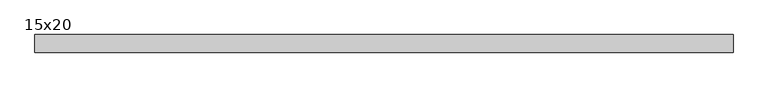
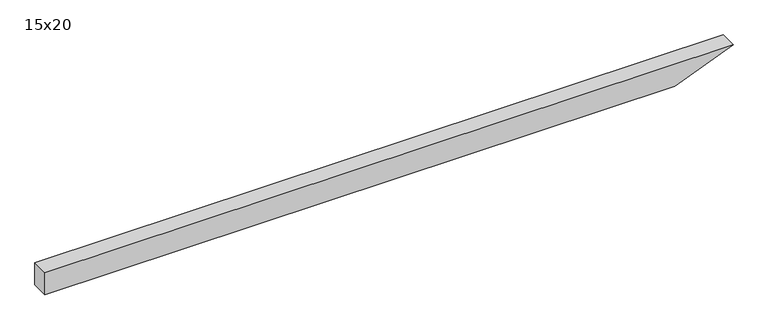
"""IFC4 building model written with IfcOpenShell, lengths in millimetres: beam geometry, 15x20."""

from ifc_helpers import new_model, si_unit, frame, origin, place, context, project, spatial, polyline, outline, extrude, source, transform, mapped, element, save


def beam_15x20_6f9517e7(model_context):
    return source(origin(), model_context, "Body", "SweptSolid", [
        extrude(outline(polyline([(100.0, -2992.5), (-100.0, -2992.5), (-100.0, 2440.3), (100.0, 2942.5), (100.0, -2992.5)])), frame((0.0, -75.0, 0.0), z_axis=(0.0, 1.0, 0.0), x_axis=(0.0, 0.0, 1.0)), (0.0, 0.0, 1.0), 150.0),
    ])


if __name__ == "__main__":
    model = new_model("IFC4")
    model_context = context("Model", 3, world=origin())
    ifc_project = project(units=[si_unit("LENGTHUNIT", "METRE", prefix="MILLI")], contexts=[model_context])
    site = spatial("IfcSite", under=ifc_project)
    building = spatial("IfcBuilding", under=site)
    placement = place(None, origin())
    beam_15x20_shape = beam_15x20_6f9517e7(model_context)
    element("IfcBeam", 1, ObjectType="15x20", at=placement, inside=building, context=model_context, shape_type="MappedRepresentation", body=[
        mapped(beam_15x20_shape, transform((0.0, 0.0, 0.0), x_axis=(1.0, 0.0, 0.0), y_axis=(0.0, 1.0, 0.0), z_axis=(0.0, 0.0, 1.0))),
    ])
    save(model, "model.ifc")
